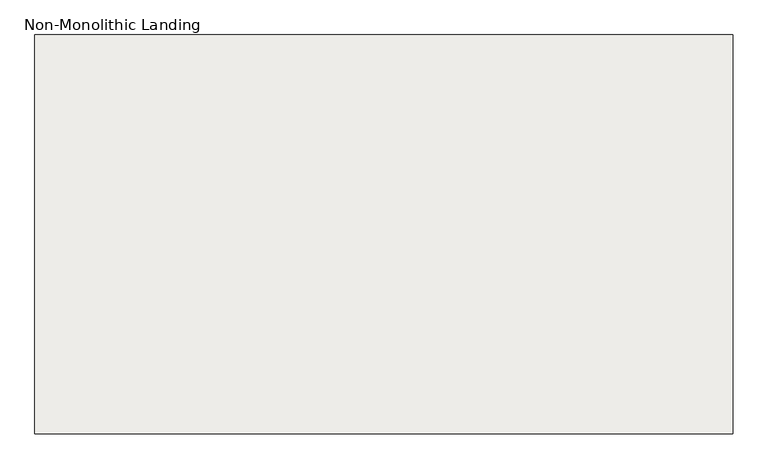
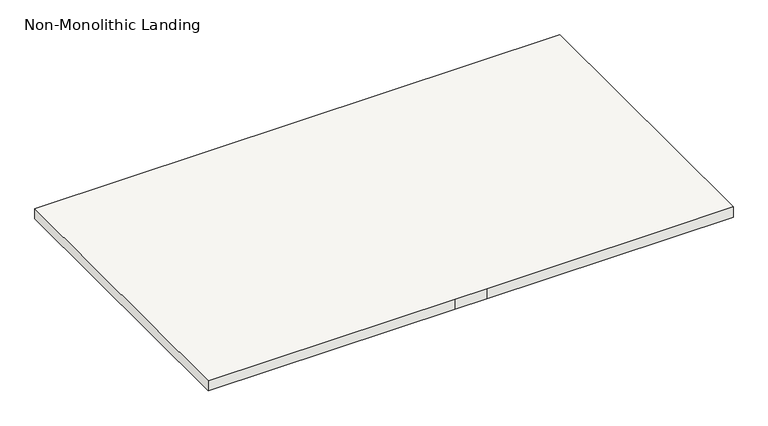
"""IFC4 building model written with IfcOpenShell, lengths in millimetres: slab geometry, Non-Monolithic Landing."""

from ifc_helpers import new_model, si_unit, frame, origin, place, context, project, spatial, polyline, outline, extrude, source, transform, mapped, element, save


def non_monolithic_landing_d31768b5(model_context):
    return source(origin(), model_context, "Body", "SweptSolid", [
        extrude(outline(polyline([(383.6347234, -9372.365151), (383.6347234, -7972.365151), (2834.355623, -7972.365151), (2834.355623, -9372.365151), (1684.355623, -9372.365151), (1534.355623, -9372.365151), (383.6347234, -9372.365151)])), frame((0.0, 0.0, 4450.0), z_axis=(0.0, 0.0, 1.0), x_axis=(1.0, 0.0, 0.0)), (0.0, 0.0, 1.0), 50.0),
    ])


if __name__ == "__main__":
    model = new_model("IFC4")
    model_context = context("Model", 3, world=origin())
    ifc_project = project(units=[si_unit("LENGTHUNIT", "METRE", prefix="MILLI")], contexts=[model_context])
    site = spatial("IfcSite", under=ifc_project)
    building = spatial("IfcBuilding", under=site)
    placement = place(None, origin())
    non_monolithic_landing_shape = non_monolithic_landing_d31768b5(model_context)
    element("IfcSlab", 1, ObjectType="Non-Monolithic Landing", at=placement, inside=building, context=model_context, shape_type="MappedRepresentation", body=[
        mapped(non_monolithic_landing_shape, transform((0.0, 0.0, 0.0), x_axis=(1.0, 0.0, 0.0), y_axis=(0.0, 1.0, 0.0), z_axis=(0.0, 0.0, 1.0))),
    ])
    save(model, "model.ifc")
